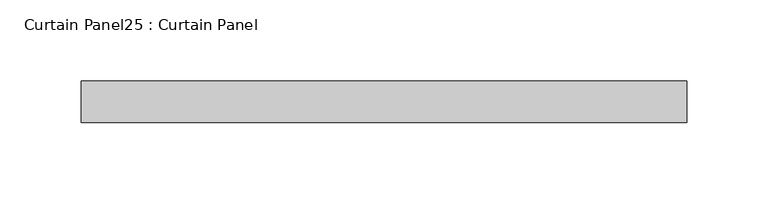
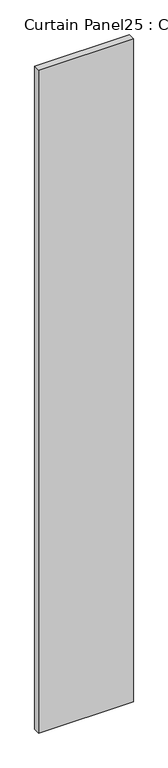
"""IFC4 building model written with IfcOpenShell, lengths in millimetres: plate geometry, Curtain Panel25 : Curtain Panel."""

from ifc_helpers import new_model, si_unit, frame, origin, place, context, project, spatial, polyline, outline, extrude, source, transform, mapped, element, save


def curtain_panel25_curtain_panel_6203b3ca(model_context):
    return source(origin(), model_context, "Body", "SweptSolid", [
        extrude(outline(polyline([(23703.6631996, 2892.3317302), (23332.1926953, 2892.3317302), (23332.1926953, 2917.7317302), (23703.6631996, 2917.7317302), (23703.6631996, 2892.3317302)])), frame((0.0, 0.0, -633.5446495), z_axis=(0.0, 0.0, 1.0), x_axis=(1.0, 0.0, 0.0)), (0.0, 0.0, 1.0), 2743.2),
    ])


if __name__ == "__main__":
    model = new_model("IFC4")
    model_context = context("Model", 3, world=origin())
    ifc_project = project(units=[si_unit("LENGTHUNIT", "METRE", prefix="MILLI")], contexts=[model_context])
    site = spatial("IfcSite", under=ifc_project)
    building = spatial("IfcBuilding", under=site)
    placement = place(None, origin())
    curtain_panel25_curtain_panel_shape = curtain_panel25_curtain_panel_6203b3ca(model_context)
    element("IfcPlate", 1, ObjectType="Curtain Panel25 : Curtain Panel", at=placement, inside=building, context=model_context, shape_type="MappedRepresentation", body=[
        mapped(curtain_panel25_curtain_panel_shape, transform((0.0, 0.0, 0.0), x_axis=(1.0, 0.0, 0.0), y_axis=(0.0, 1.0, 0.0), z_axis=(0.0, 0.0, 1.0))),
    ])
    save(model, "model.ifc")
